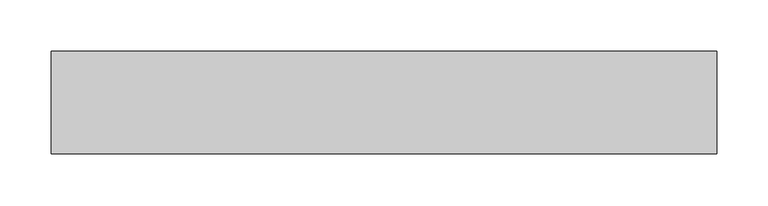
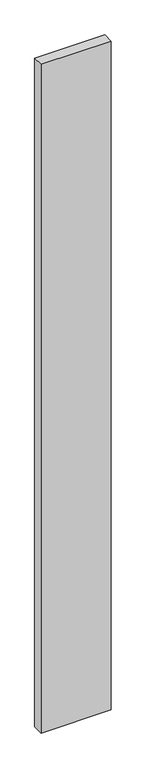
"""IFC4 building model written with IfcOpenShell, lengths in millimetres: proxy geometry."""

from ifc_helpers import new_model, si_unit, frame, origin, place, context, project, spatial, polyline, outline, extrude, source, transform, mapped, element, save


def generic_models_25e1b01c(model_context):
    return source(origin(), model_context, "Body", "SweptSolid", [
        extrude(outline(polyline([(650.0, 100.0), (650.0, 0.0), (0.0, 0.0), (0.0, 100.0), (650.0, 100.0)])), frame((0.0, 0.0, -6550.0), z_axis=(0.0, 0.0, 1.0), x_axis=(1.0, 0.0, 0.0)), (0.0, 0.0, 1.0), 6550.0),
    ])


if __name__ == "__main__":
    model = new_model("IFC4")
    model_context = context("Model", 3, world=origin())
    ifc_project = project(units=[si_unit("LENGTHUNIT", "METRE", prefix="MILLI")], contexts=[model_context])
    site = spatial("IfcSite", under=ifc_project)
    building = spatial("IfcBuilding", under=site)
    placement = place(None, origin())
    generic_models_shape = generic_models_25e1b01c(model_context)
    element("IfcBuildingElementProxy", 1, Name="Generic Models", at=placement, inside=building, context=model_context, shape_type="MappedRepresentation", body=[
        mapped(generic_models_shape, transform((0.0, 0.0, 0.0), x_axis=(1.0, 0.0, 0.0), y_axis=(0.0, 1.0, 0.0), z_axis=(0.0, 0.0, 1.0))),
    ])
    save(model, "model.ifc")
